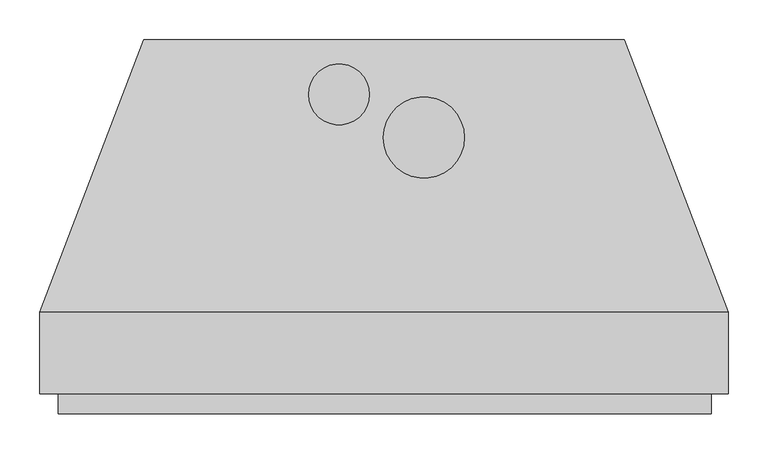
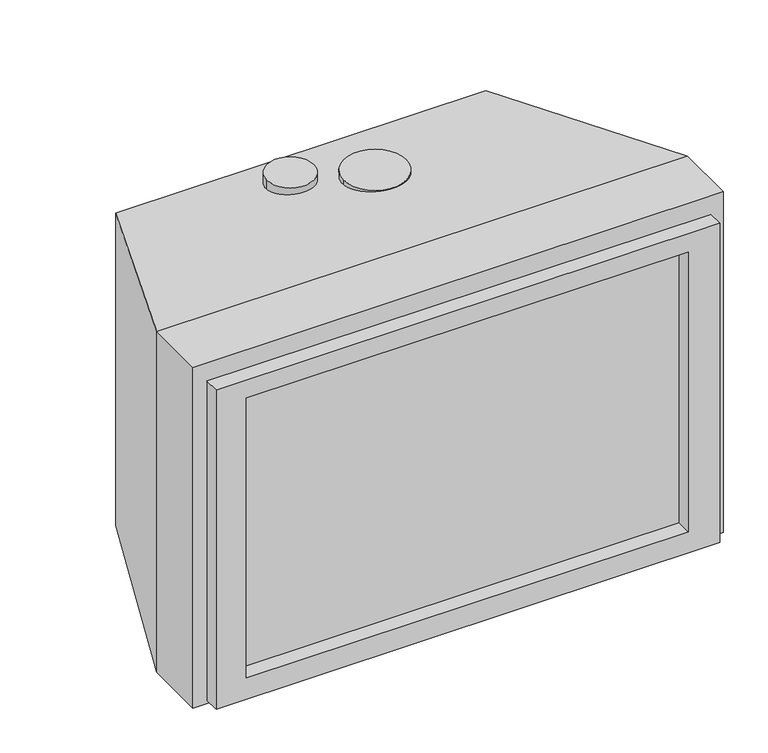
"""IFC4 building model written with IfcOpenShell, lengths in millimetres: proxy geometry."""

from ifc_helpers import new_model, si_unit, point, frame, frame_2d, origin, place, context, project, spatial, polyline, circle_curve, trimmed, segment, composite_curve, outline, extrude, faceted_brep, source, transform, mapped, element, save


def generic_models_28b7cbb3(model_context):
    return source(origin(), model_context, "Body", "SolidModel", [
        extrude(outline(composite_curve([segment(trimmed(circle_curve(frame_2d((50.00625, 320.675)), 50.8), [point((-0.79375, 320.675))], [point((100.80625, 320.675))], False, "CARTESIAN"), True, "CONTINUOUS"), segment(trimmed(circle_curve(frame_2d((50.00625, 320.675)), 50.8), [point((100.80625, 320.675))], [point((-0.79375, 320.675))], False, "CARTESIAN"), True, "CONTINUOUS")], self_intersect=False)), frame((0.0, 0.0, 522.9673293), z_axis=(0.0, 0.0, 1.0), x_axis=(1.0, 0.0, 0.0)), (0.0, 0.0, 1.0), 39.4870476),
        extrude(outline(composite_curve([segment(trimmed(circle_curve(frame_2d((-56.35625, 374.65)), 38.1), [point((-94.45625, 374.65))], [point((-18.25625, 374.65))], False, "CARTESIAN"), True, "CONTINUOUS"), segment(trimmed(circle_curve(frame_2d((-56.35625, 374.65)), 38.1), [point((-18.25625, 374.65))], [point((-94.45625, 374.65))], False, "CARTESIAN"), True, "CONTINUOUS")], self_intersect=False)), frame((0.0, 0.0, 536.575), z_axis=(0.0, 0.0, 1.0), x_axis=(1.0, 0.0, 0.0)), (0.0, 0.0, 1.0), 25.8793769),
        extrude(outline(polyline([(554.2106353, 410.1670767), (554.2106353, -408.1240797), (5.4341413, -408.1240797), (5.4341413, 410.1670767), (554.2106353, 410.1670767)]), holes=[polyline([(522.9673293, -358.775), (522.9673293, 358.775), (41.9201945, 358.775), (41.9201945, -358.775), (522.9673293, -358.775)])]), frame((0.0, -25.4, 0.0), z_axis=(0.0, 1.0, 0.0), x_axis=(0.0, 0.0, 1.0)), (0.0, 0.0, 1.0), 25.4),
        faceted_brep([(-431.00625, 101.6, 585.7875), (-431.00625, 0.0, 585.7875), (431.00625, 0.0, 585.7875), (431.00625, 101.6, 585.7875), (-431.00625, 101.6, 0.0), (-300.83125, 442.9125, 0.0), (300.83125, 442.9125, 0.0), (431.00625, 101.6, 0.0), (431.00625, 0.0, 0.0), (-431.00625, 0.0, 0.0), (300.83125, 442.9125, 536.575), (-300.83125, 442.9125, 536.575)], [[[0, 1, 2, 3]], [[4, 5, 6, 7, 8, 9]], [[1, 0, 4, 9]], [[2, 1, 9, 8]], [[3, 2, 8, 7]], [[7, 6, 10, 3]], [[6, 5, 11, 10]], [[5, 4, 0, 11]], [[0, 3, 10, 11]]]),
    ])


if __name__ == "__main__":
    model = new_model("IFC4")
    model_context = context("Model", 3, world=origin())
    ifc_project = project(units=[si_unit("LENGTHUNIT", "METRE", prefix="MILLI")], contexts=[model_context])
    site = spatial("IfcSite", under=ifc_project)
    building = spatial("IfcBuilding", under=site)
    placement = place(None, origin())
    generic_models_shape = generic_models_28b7cbb3(model_context)
    element("IfcBuildingElementProxy", 1, Name="Generic Models", at=placement, inside=building, context=model_context, shape_type="MappedRepresentation", body=[
        mapped(generic_models_shape, transform((0.0, 0.0, 0.0), x_axis=(1.0, 0.0, 0.0), y_axis=(0.0, 1.0, 0.0), z_axis=(0.0, 0.0, 1.0))),
    ])
    save(model, "model.ifc")
